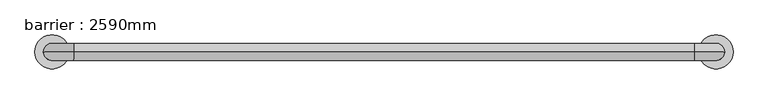
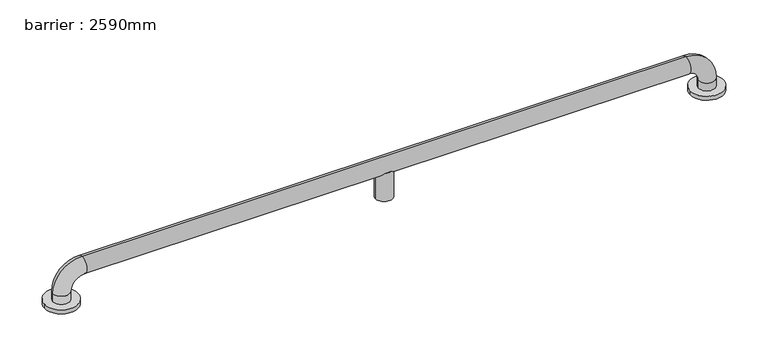
"""IFC4 building model written with IfcOpenShell, lengths in millimetres: geographic element geometry, barrier : 2590mm."""

from ifc_helpers import new_model, si_unit, point, frame, origin, place, context, project, spatial, circle_curve, ellipse_curve, trimmed, source, transform, mapped, element, save
from ifc_brep_helpers import plane_surface, cylinder_surface, revolved_surface, advanced_brep


def barrier_2590mm_7359ee5b(model_context):
    return source(origin(), model_context, "Body", "AdvancedBrep", [
        advanced_brep(
        [(-55.9023874, 0.0, 0.0), (24.0976126, 0.0, 0.0), (1491.8834051, 0.0, 0.0), (1571.8834051, 0.0, 0.0), (4.0976126, 0.0, 30.0), (-35.9023874, 0.0, 30.0), (-35.9023874, 0.0, 10.0), (4.0976126, 0.0, 10.0), (34.0976126, 0.0, 60.0), (34.0976126, 0.0, 100.0), (737.9905089, 0.0, 60.0), (749.2967977, -18.0116458, 71.3062888), (766.6842201, -18.0116458, 71.3062888), (777.9905089, 0.0, 60.0), (1481.8834051, 0.0, 60.0), (1481.8834051, 0.0, 100.0), (766.6842201, 18.0116458, 71.3062888), (749.2967977, 18.0116458, 71.3062888), (1511.8834051, 0.0, 30.0), (1551.8834051, 0.0, 30.0), (1511.8834051, 0.0, 10.0), (1551.8834051, 0.0, 10.0), (737.9905089, 0.0, 0.0), (777.9905089, 0.0, 0.0), (-55.9023874, 0.0, 10.0), (24.0976126, 0.0, 10.0), (1491.8834051, 0.0, 10.0), (1571.8834051, 0.0, 10.0)],
        [
            (0, 1, circle_curve(frame((-15.9023874, 0.0, 0.0), z_axis=(0.0, 0.0, -1.0), x_axis=(1.0, 0.0, 0.0)), 40.0)),
            (1, 0, circle_curve(frame((-15.9023874, 0.0, 0.0), z_axis=(0.0, 0.0, -1.0), x_axis=(1.0, 0.0, 0.0)), 40.0)),
            (2, 3, circle_curve(frame((1531.8834051, 0.0, 0.0), z_axis=(0.0, 0.0, -1.0), x_axis=(1.0, 0.0, 0.0)), 40.0)),
            (3, 2, circle_curve(frame((1531.8834051, 0.0, 0.0), z_axis=(0.0, 0.0, -1.0), x_axis=(1.0, 0.0, 0.0)), 40.0)),
            (4, 5, circle_curve(frame((-15.9023874, 0.0, 30.0), z_axis=(0.0, 0.0, -1.0), x_axis=(-1.0, 0.0, 0.0)), 20.0)),
            (5, 6),
            (6, 7, circle_curve(frame((-15.9023874, 0.0, 10.0), z_axis=(0.0, 0.0, 1.0), x_axis=(-1.0, 0.0, 0.0)), 20.0)),
            (7, 4),
            (5, 4, circle_curve(frame((-15.9023874, 0.0, 30.0), z_axis=(0.0, 0.0, -1.0), x_axis=(-1.0, 0.0, 0.0)), 20.0)),
            (7, 6, circle_curve(frame((-15.9023874, 0.0, 10.0), z_axis=(0.0, 0.0, 1.0), x_axis=(-1.0, 0.0, 0.0)), 20.0)),
            (4, 8, circle_curve(frame((34.0976126, 0.0, 30.0), z_axis=(0.0, 1.0, 0.0), x_axis=(-1.0, 0.0, 0.0)), 30.0)),
            (8, 9, circle_curve(frame((34.0976126, 0.0, 80.0), z_axis=(-1.0, 0.0, 0.0), x_axis=(0.0, 0.0, 1.0)), 20.0)),
            (9, 5, circle_curve(frame((34.0976126, 0.0, 30.0), z_axis=(0.0, -1.0, 0.0), x_axis=(-1.0, 0.0, 0.0)), 70.0)),
            (9, 8, circle_curve(frame((34.0976126, 0.0, 80.0), z_axis=(-1.0, 0.0, 0.0), x_axis=(0.0, 0.0, 1.0)), 20.0)),
            (8, 10),
            (10, 11, ellipse_curve(frame((757.9905089, 0.0, 80.0), z_axis=(-0.7071067811865475, 0.0, 0.7071067811865475), x_axis=(-0.7071067811865476, 0.0, -0.7071067811865474)), 28.2842712, 20.0)),
            (11, 12),
            (12, 13, ellipse_curve(frame((757.9905089, 0.0, 80.0), z_axis=(0.7071067811865475, 0.0, 0.7071067811865475), x_axis=(-0.7071067811865476, 0.0, 0.7071067811865474)), 28.2842712, 20.0)),
            (13, 14),
            (14, 15, circle_curve(frame((1481.8834051, 0.0, 80.0), z_axis=(-1.0, 0.0, 0.0), x_axis=(0.0, 0.0, 1.0)), 20.0)),
            (15, 9),
            (15, 14, circle_curve(frame((1481.8834051, 0.0, 80.0), z_axis=(-1.0, 0.0, 0.0), x_axis=(0.0, 0.0, 1.0)), 20.0)),
            (13, 16, ellipse_curve(frame((757.9905089, 0.0, 80.0), z_axis=(0.7071067811865475, 0.0, 0.7071067811865475), x_axis=(-0.7071067811865476, 0.0, 0.7071067811865474)), 28.2842712, 20.0)),
            (16, 17),
            (17, 10, ellipse_curve(frame((757.9905089, 0.0, 80.0), z_axis=(-0.7071067811865475, 0.0, 0.7071067811865475), x_axis=(-0.7071067811865476, 0.0, -0.7071067811865474)), 28.2842712, 20.0)),
            (14, 18, circle_curve(frame((1481.8834051, 0.0, 30.0), z_axis=(0.0, 1.0, 0.0), x_axis=(0.0, 0.0, 1.0)), 30.0)),
            (18, 19, circle_curve(frame((1531.8834051, 0.0, 30.0), z_axis=(0.0, 0.0, 1.0), x_axis=(1.0, 0.0, 0.0)), 20.0)),
            (19, 15, circle_curve(frame((1481.8834051, 0.0, 30.0), z_axis=(0.0, -1.0, 0.0), x_axis=(0.0, 0.0, 1.0)), 70.0)),
            (19, 18, circle_curve(frame((1531.8834051, 0.0, 30.0), z_axis=(0.0, 0.0, 1.0), x_axis=(1.0, 0.0, 0.0)), 20.0)),
            (18, 20),
            (20, 21, circle_curve(frame((1531.8834051, 0.0, 10.0), z_axis=(0.0, 0.0, 1.0), x_axis=(1.0, 0.0, 0.0)), 20.0)),
            (21, 19),
            (21, 20, circle_curve(frame((1531.8834051, 0.0, 10.0), z_axis=(0.0, 0.0, 1.0), x_axis=(1.0, 0.0, 0.0)), 20.0)),
            (22, 23, circle_curve(frame((757.9905089, 0.0, 0.0), z_axis=(0.0, 0.0, -1.0), x_axis=(1.0, 0.0, 0.0)), 20.0)),
            (23, 22, circle_curve(frame((757.9905089, 0.0, 0.0), z_axis=(0.0, 0.0, -1.0), x_axis=(1.0, 0.0, 0.0)), 20.0)),
            (23, 13),
            (12, 11, circle_curve(frame((757.9905089, 0.0, 71.3062888), z_axis=(0.0, 0.0, -1.0), x_axis=(1.0, 0.0, 0.0)), 20.0)),
            (10, 22),
            (17, 16, circle_curve(frame((757.9905089, 0.0, 71.3062888), z_axis=(0.0, 0.0, -1.0), x_axis=(1.0, 0.0, 0.0)), 20.0)),
            (24, 25, circle_curve(frame((-15.9023874, 0.0, 10.0), z_axis=(0.0, 0.0, 1.0), x_axis=(1.0, 0.0, 0.0)), 40.0)),
            (25, 24, circle_curve(frame((-15.9023874, 0.0, 10.0), z_axis=(0.0, 0.0, 1.0), x_axis=(1.0, 0.0, 0.0)), 40.0)),
            (26, 27, circle_curve(frame((1531.8834051, 0.0, 10.0), z_axis=(0.0, 0.0, 1.0), x_axis=(1.0, 0.0, 0.0)), 40.0)),
            (27, 26, circle_curve(frame((1531.8834051, 0.0, 10.0), z_axis=(0.0, 0.0, 1.0), x_axis=(1.0, 0.0, 0.0)), 40.0)),
            (24, 0),
            (1, 25),
            (26, 2),
            (3, 27),
        ],
        [
            plane_surface(frame((-15.9023874, -20.0, 0.0), z_axis=(0.0, 0.0, -1.0), x_axis=(1.0, 0.0, 0.0))),
            cylinder_surface(frame((-15.9023874, 0.0, 0.0), z_axis=(0.0, 0.0, -1.0), x_axis=(-1.0, 0.0, 0.0)), 20.0),
            revolved_surface(trimmed(ellipse_curve(frame((-15.9023874, 0.0, 30.0), z_axis=(0.0, 0.0, -1.0), x_axis=(-1.0, 0.0, 0.0)), 20.0, 20.0), [point((4.0976126, 0.0, 30.0))], [point((-35.9023874, 0.0, 30.0))], True, "CARTESIAN"), (34.0976126, 0.0, 30.0), (0.0, 1.0, 0.0)),
            revolved_surface(trimmed(ellipse_curve(frame((-15.9023874, 0.0, 30.0), z_axis=(0.0, 0.0, -1.0), x_axis=(-1.0, 0.0, 0.0)), 20.0, 20.0), [point((-35.9023874, 0.0, 30.0))], [point((4.0976126, 0.0, 30.0))], True, "CARTESIAN"), (34.0976126, 0.0, 30.0), (0.0, 1.0, 0.0)),
            cylinder_surface(frame((34.0976126, 0.0, 80.0), z_axis=(-1.0, 0.0, 0.0), x_axis=(0.0, 0.0, 1.0)), 20.0),
            revolved_surface(trimmed(ellipse_curve(frame((1481.8834051, 0.0, 80.0), z_axis=(-1.0, 0.0, 0.0), x_axis=(0.0, 0.0, 1.0)), 20.0, 20.0), [point((1481.8834051, 0.0, 60.0))], [point((1481.8834051, 0.0, 100.0))], True, "CARTESIAN"), (1481.8834051, 0.0, 30.0), (0.0, 1.0, 0.0)),
            revolved_surface(trimmed(ellipse_curve(frame((1481.8834051, 0.0, 80.0), z_axis=(-1.0, 0.0, 0.0), x_axis=(0.0, 0.0, 1.0)), 20.0, 20.0), [point((1481.8834051, 0.0, 100.0))], [point((1481.8834051, 0.0, 60.0))], True, "CARTESIAN"), (1481.8834051, 0.0, 30.0), (0.0, 1.0, 0.0)),
            cylinder_surface(frame((1531.8834051, 0.0, 30.0), z_axis=(0.0, 0.0, 1.0), x_axis=(1.0, 0.0, 0.0)), 20.0),
            plane_surface(frame((777.9905089, 0.0, 0.0), z_axis=(0.0, 0.0, -1.0), x_axis=(0.0, -1.0, 0.0))),
            cylinder_surface(frame((757.9905089, 0.0, 0.0), z_axis=(0.0, 0.0, 1.0), x_axis=(1.0, 0.0, 0.0)), 20.0),
            plane_surface(frame((24.0976126, 0.0, 10.0), z_axis=(0.0, 0.0, 1.0), x_axis=(0.0, 1.0, 0.0))),
            cylinder_surface(frame((-15.9023874, 0.0, 0.0), z_axis=(0.0, 0.0, 1.0), x_axis=(1.0, 0.0, 0.0)), 40.0),
            cylinder_surface(frame((1531.8834051, 0.0, 0.0), z_axis=(0.0, 0.0, 1.0), x_axis=(1.0, 0.0, 0.0)), 40.0),
            plane_surface(frame((777.9905089, 0.0, 71.3062888), z_axis=(0.0, 0.0, 1.0), x_axis=(0.0, 1.0, 0.0))),
        ],
        [
            (0, [[1, 2]]),
            (0, [[3, 4]]),
            (1, [[5, 6, 7, 8]]),
            (1, [[9, -8, 10, -6]]),
            (2, [[-5, 11, 12, 13]]),
            (3, [[-9, -13, 14, -11]]),
            (4, [[-12, 15, 16, 17, 18, 19, 20, 21]]),
            (4, [[-14, -21, 22, -19, 23, 24, 25, -15]]),
            (5, [[-20, 26, 27, 28]]),
            (6, [[-22, -28, 29, -26]]),
            (7, [[-27, 30, 31, 32]]),
            (7, [[-29, -32, 33, -30]]),
            (8, [[34, 35]]),
            (9, [[-35, 36, -18, 37, -16, 38]]),
            (9, [[-34, -38, -25, 39, -23, -36]]),
            (10, [[40, 41], [-7, -10]]),
            (10, [[42, 43], [-31, -33]]),
            (11, [[-40, 44, -2, 45]]),
            (11, [[-41, -45, -1, -44]]),
            (12, [[-42, 46, -4, 47]]),
            (12, [[-43, -47, -3, -46]]),
            (13, [[-37, -17]]),
            (13, [[-39, -24]]),
        ],
    ),
    ])


if __name__ == "__main__":
    model = new_model("IFC4")
    model_context = context("Model", 3, world=origin())
    ifc_project = project(units=[si_unit("LENGTHUNIT", "METRE", prefix="MILLI")], contexts=[model_context])
    site = spatial("IfcSite", under=ifc_project)
    building = spatial("IfcBuilding", under=site)
    placement = place(None, origin())
    barrier_2590mm_shape = barrier_2590mm_7359ee5b(model_context)
    element("IfcGeographicElement", 1, ObjectType="barrier : 2590mm", at=placement, inside=building, context=model_context, shape_type="MappedRepresentation", body=[
        mapped(barrier_2590mm_shape, transform((0.0, 0.0, 0.0), x_axis=(1.0, 0.0, 0.0), y_axis=(0.0, 1.0, 0.0), z_axis=(0.0, 0.0, 1.0))),
    ])
    save(model, "model.ifc")
